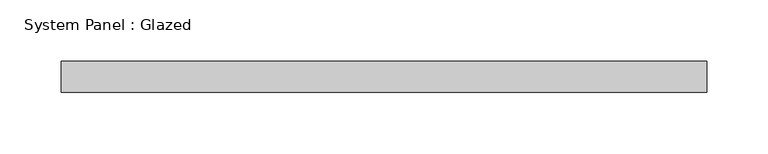
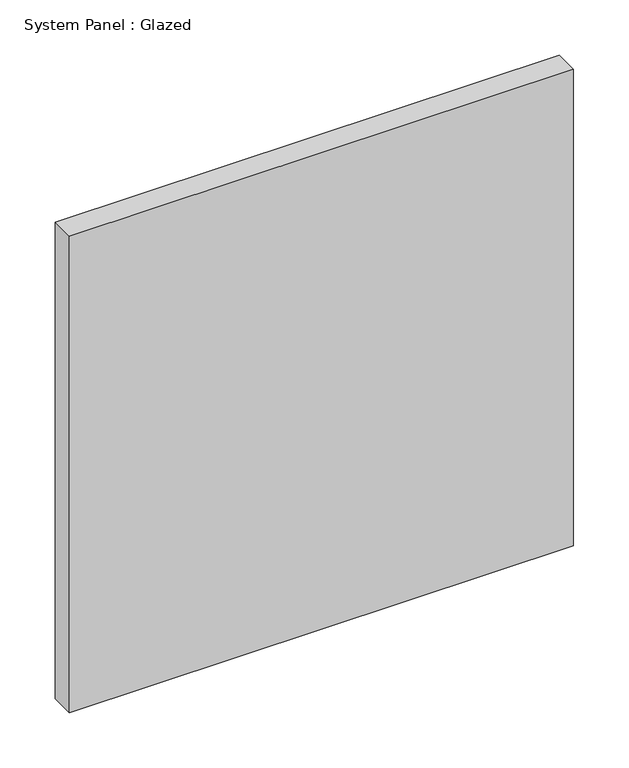
"""IFC4 building model written with IfcOpenShell, lengths in millimetres: plate geometry, System Panel : Glazed."""

from ifc_helpers import new_model, si_unit, origin, origin_with_axes, place, context, project, spatial, polyline, outline, extrude, source, transform, mapped, element, save


def system_panel_glazed_f96c756d(model_context):
    return source(origin(), model_context, "Body", "SweptSolid", [
        extrude(outline(polyline([(262.5, -49.5), (-262.5, -49.5), (-262.5, -24.5), (262.5, -24.5), (262.5, -49.5)])), origin_with_axes(), (0.0, 0.0, 1.0), 525.0),
    ])


if __name__ == "__main__":
    model = new_model("IFC4")
    model_context = context("Model", 3, world=origin())
    ifc_project = project(units=[si_unit("LENGTHUNIT", "METRE", prefix="MILLI")], contexts=[model_context])
    site = spatial("IfcSite", under=ifc_project)
    building = spatial("IfcBuilding", under=site)
    placement = place(None, origin())
    system_panel_glazed_shape = system_panel_glazed_f96c756d(model_context)
    element("IfcPlate", 1, ObjectType="System Panel : Glazed", at=placement, inside=building, context=model_context, shape_type="MappedRepresentation", body=[
        mapped(system_panel_glazed_shape, transform((0.0, 0.0, 0.0), x_axis=(1.0, 0.0, 0.0), y_axis=(0.0, 1.0, 0.0), z_axis=(0.0, 0.0, 1.0))),
    ])
    save(model, "model.ifc")
